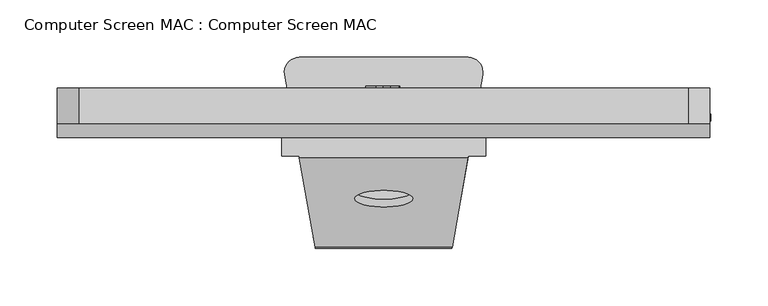
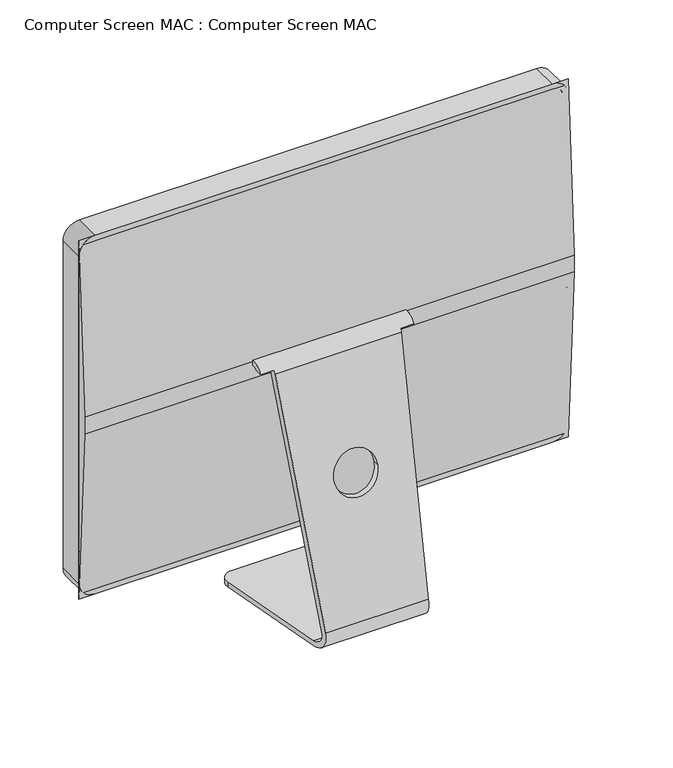
"""IFC4 building model written with IfcOpenShell, lengths in millimetres: proxy geometry, Computer Screen MAC : Computer Screen MAC."""

import ifcopenshell
import ifcopenshell.guid

model = None  # the IFC model being written
_history = None  # IfcOwnerHistory: only IFC2X3 demands one
_inside = {}  # id of a spatial element -> (the spatial element, [elements in it])
_under = {}  # id of a project, library or spatial element -> (it, [spatial elements below it])
_declared = {}  # id of a project -> (the project, [libraries it declares])
_typed = {}  # id of a type object -> (the type object, [elements of that type])
_made_of = {}  # id of a material, layer set ... -> (it, [elements and type objects made of it])


def new_model(schema):
    """Start an empty IFC model of exactly this schema.

    Asked for "IFC4X3", IfcOpenShell would pick the latest addendum, in which some entities
    have other attributes; the version numbers below select the first issue.
    IFC2X3 requires an IfcOwnerHistory on every rooted entity: one is made here for all.
    """
    global model, _history
    if schema == "IFC4X3":
        model = ifcopenshell.file(schema_version=(4, 3, 0, 0))
    else:
        model = ifcopenshell.file(schema=schema)
    _inside.clear()
    _under.clear()
    _declared.clear()
    _typed.clear()
    _made_of.clear()
    _history = None
    if model.schema == "IFC2X3":
        org = make("IfcOrganization", Name="unknown")
        user = make(
            "IfcPersonAndOrganization",
            ThePerson=make("IfcPerson", FamilyName="unknown"),
            TheOrganization=org,
        )
        app = make(
            "IfcApplication",
            ApplicationDeveloper=org,
            Version="unknown",
            ApplicationFullName="unknown",
            ApplicationIdentifier="unknown",
        )
        _history = make(
            "IfcOwnerHistory",
            OwningUser=user,
            OwningApplication=app,
            ChangeAction="ADDED",
            CreationDate=0,
        )
    return model


def make(cls, **values):
    """One entity of the class cls with the attributes given. An attribute that is None is left unset."""
    return model.create_entity(
        cls, **{name: value for name, value in values.items() if value is not None}
    )


def rooted(cls, **values):
    """An entity with a GlobalId (a new one), such as an element, a storey or a relation."""
    return make(cls, GlobalId=ifcopenshell.guid.new(), OwnerHistory=_history, **values)


def si_unit(unit_type, name, prefix=None):
    """IfcSIUnit, for example si_unit("LENGTHUNIT", "METRE", prefix="MILLI")."""
    return make("IfcSIUnit", UnitType=unit_type, Prefix=prefix, Name=name)


def assignment(units):
    """IfcUnitAssignment: the units of a project."""
    return None if units is None else make("IfcUnitAssignment", Units=units)


def point(xyz):
    """IfcCartesianPoint."""
    return None if xyz is None else make("IfcCartesianPoint", Coordinates=xyz)


def direction(xyz):
    """IfcDirection."""
    return None if xyz is None else make("IfcDirection", DirectionRatios=xyz)


def frame(location, z_axis=None, x_axis=None):
    """IfcAxis2Placement3D, a coordinate frame: its origin and axes. An axis left out is left unset."""
    return make(
        "IfcAxis2Placement3D",
        Location=point(location),
        Axis=direction(z_axis),
        RefDirection=direction(x_axis),
    )


def frame_2d(location, x_axis=None):
    """IfcAxis2Placement2D, a coordinate frame in the plane: its origin and x axis."""
    return make(
        "IfcAxis2Placement2D", Location=point(location), RefDirection=direction(x_axis)
    )


def origin():
    """The frame at (0, 0, 0) with its axes left unset."""
    return frame((0.0, 0.0, 0.0))


def place(relative_to, where):
    """IfcLocalPlacement: puts the frame where relative to a parent placement (None: the world)."""
    return make(
        "IfcLocalPlacement", PlacementRelTo=relative_to, RelativePlacement=where
    )


def context(
    kind, dimensions, precision=None, world=None, true_north=None, identifier=None
):
    """IfcGeometricRepresentationContext, for example the 3D "Model" context."""
    return make(
        "IfcGeometricRepresentationContext",
        ContextIdentifier=identifier,
        ContextType=kind,
        CoordinateSpaceDimension=dimensions,
        Precision=precision,
        WorldCoordinateSystem=world,
        TrueNorth=true_north,
    )


def project(units=None, contexts=None):
    """IfcProject with its units and contexts."""
    return rooted(
        "IfcProject",
        Name="project",
        RepresentationContexts=contexts,
        UnitsInContext=assignment(units),
    )


def spatial(cls, under=None, at=None, **own):
    """A site, building, storey or space (cls), placed at a placement, below another one or the project."""
    s = rooted(cls, ObjectPlacement=at, **own)
    if under is not None:
        _under.setdefault(under.id(), (under, []))[1].append(s)
    return s


def polyline(points):
    """IfcPolyline through the points."""
    return make("IfcPolyline", Points=[point(p) for p in points])


def circle_curve(where, radius):
    """IfcCircle in the frame where."""
    return make("IfcCircle", Position=where, Radius=radius)


def ellipse_curve(where, semi_axis1, semi_axis2):
    """IfcEllipse in the frame where."""
    return make(
        "IfcEllipse", Position=where, SemiAxis1=semi_axis1, SemiAxis2=semi_axis2
    )


def trimmed(basis, trim1, trim2, sense, master):
    """IfcTrimmedCurve: the piece of a basis curve between two trims."""
    return make(
        "IfcTrimmedCurve",
        BasisCurve=basis,
        Trim1=trim1,
        Trim2=trim2,
        SenseAgreement=sense,
        MasterRepresentation=master,
    )


def segment(curve, same_sense, transition):
    """IfcCompositeCurveSegment."""
    return make(
        "IfcCompositeCurveSegment",
        Transition=transition,
        SameSense=same_sense,
        ParentCurve=curve,
    )


def composite_curve(segments, self_intersect=None):
    """IfcCompositeCurve: segments joined end to end."""
    return make("IfcCompositeCurve", Segments=segments, SelfIntersect=self_intersect)


def outline(outer, holes=None, kind="AREA"):
    """IfcArbitraryClosedProfileDef: a profile drawn as a closed curve; with holes, ...WithVoids."""
    if holes is None:
        return make("IfcArbitraryClosedProfileDef", ProfileType=kind, OuterCurve=outer)
    return make(
        "IfcArbitraryProfileDefWithVoids",
        ProfileType=kind,
        OuterCurve=outer,
        InnerCurves=holes,
    )


def extrude(swept, where, along, depth):
    """IfcExtrudedAreaSolid: the profile swept, set in the frame where, extruded along a direction by depth."""
    return make(
        "IfcExtrudedAreaSolid",
        SweptArea=swept,
        Position=where,
        ExtrudedDirection=direction(along),
        Depth=depth,
    )


def shape(context_of_items, identifier, shape_type, items):
    """IfcShapeRepresentation: the items that make up one representation, for example the "Body"."""
    return make(
        "IfcShapeRepresentation",
        ContextOfItems=context_of_items,
        RepresentationIdentifier=identifier,
        RepresentationType=shape_type,
        Items=items,
    )


def source(mapping_origin, context_of_items, identifier, shape_type, items):
    """IfcRepresentationMap: a shape defined once, which mapped items show again and again."""
    return make(
        "IfcRepresentationMap",
        MappingOrigin=mapping_origin,
        MappedRepresentation=shape(context_of_items, identifier, shape_type, items),
    )


def transform(
    local_origin,
    x_axis=None,
    y_axis=None,
    z_axis=None,
    scale=None,
    scale2=None,
    scale3=None,
    uniform=True,
):
    """IfcCartesianTransformationOperator3D, or its non-uniform kind. x_axis, y_axis, z_axis: its Axis1, 2, 3."""
    if uniform:
        return make(
            "IfcCartesianTransformationOperator3D",
            Axis1=direction(x_axis),
            Axis2=direction(y_axis),
            LocalOrigin=point(local_origin),
            Scale=scale,
            Axis3=direction(z_axis),
        )
    return make(
        "IfcCartesianTransformationOperator3DnonUniform",
        Axis1=direction(x_axis),
        Axis2=direction(y_axis),
        LocalOrigin=point(local_origin),
        Scale=scale,
        Axis3=direction(z_axis),
        Scale2=scale2,
        Scale3=scale3,
    )


def mapped(mapping_source, mapping_target):
    """IfcMappedItem: shows the shape of a source again, moved by a transform."""
    return make(
        "IfcMappedItem", MappingSource=mapping_source, MappingTarget=mapping_target
    )


def made_of(thing, what):
    """Note that an element or type object is made of a material, layer set ...; save() writes the relation."""
    if what is not None:
        _made_of.setdefault(what.id(), (what, []))[1].append(thing)
    return thing


def element(
    cls,
    number,
    at=None,
    inside=None,
    cuts=None,
    type_object=None,
    material=None,
    context=None,
    identifier="Body",
    shape_type=None,
    held_by="IfcProductDefinitionShape",
    body=None,
    shapes=None,
    **own,
):
    """One element of the class cls, such as IfcWall. Its Tag is "e" and its number.

    at: its placement. inside: the storey or other place that contains it. cuts: it is an
    opening in that element (IfcRelVoidsElement). A single representation is given by context,
    identifier, shape_type and body (its items); several are given by shapes. held_by: the class
    of the entity that holds the representations. save() writes the other relations.
    """
    e = rooted(cls, Tag="e%d" % number, ObjectPlacement=at, **own)
    if body is not None:
        shapes = [shape(context, identifier, shape_type, body)]
    if shapes is not None:
        e.Representation = make(held_by, Representations=shapes)
    if inside is not None:
        _inside.setdefault(inside.id(), (inside, []))[1].append(e)
    if cuts is not None:
        rooted(
            "IfcRelVoidsElement", RelatingBuildingElement=cuts, RelatedOpeningElement=e
        )
    if type_object is not None:
        _typed.setdefault(type_object.id(), (type_object, []))[1].append(e)
    return made_of(e, material)


def aggregate(whole, parts):
    """IfcRelAggregates: a whole, such as a stair, and the parts it consists of."""
    return rooted("IfcRelAggregates", RelatingObject=whole, RelatedObjects=parts)


def save(model, path):
    """Write the relations noted so far, then the file.

    IfcRelAggregates (storeys below a building ...), IfcRelContainedInSpatialStructure (elements
    in a storey), IfcRelDefinesByType, IfcRelAssociatesMaterial and IfcRelDeclares: one each for
    every whole, place, type object, material and project.
    """
    for whole, parts in _under.values():
        aggregate(whole, parts)
    for where, things in _inside.values():
        rooted(
            "IfcRelContainedInSpatialStructure",
            RelatedElements=things,
            RelatingStructure=where,
        )
    for kind, things in _typed.values():
        rooted("IfcRelDefinesByType", RelatedObjects=things, RelatingType=kind)
    for what, things in _made_of.values():
        rooted("IfcRelAssociatesMaterial", RelatedObjects=things, RelatingMaterial=what)
    for by, libraries in _declared.values():
        rooted("IfcRelDeclares", RelatingContext=by, RelatedDefinitions=libraries)
    model.write(path)


def plane_surface(at):
    """IfcPlane: the flat surface through the origin of the frame at, square to its z axis."""
    return make("IfcPlane", Position=at)


def cylinder_surface(at, radius):
    """IfcCylindricalSurface: all points at the distance radius from the z axis of the frame at."""
    return make("IfcCylindricalSurface", Position=at, Radius=radius)


def revolved_surface(curve, axis_point, axis_direction):
    """IfcSurfaceOfRevolution: the curve turned about the line through axis_point along axis_direction."""
    return make(
        "IfcSurfaceOfRevolution",
        SweptCurve=make("IfcArbitraryOpenProfileDef", ProfileType="CURVE", Curve=curve),
        AxisPosition=make("IfcAxis1Placement", Location=point(axis_point), Axis=direction(axis_direction)),
    )


def advanced_brep(points, edges, surfaces, faces):
    """IfcAdvancedBrep: a solid bounded by faces that lie on surfaces and meet in shared edges.

    An edge is (start, end): straight between two places in points (the first is 0);
    or (start, end, curve); or (start, end, curve, False) where it runs against its curve.
    A face is (place in surfaces, loops), or (place, loops, False) where it looks against
    its surface's normal. A loop lists edges by number (the first is 1), with a minus sign
    where the edge is run from its end to its start. The first loop is the outer one.
    """
    corners = [point(p) for p in points]
    vertices = [make("IfcVertexPoint", VertexGeometry=c) for c in corners]
    made = []
    for start, end, *more in edges:
        made.append(
            make(
                "IfcEdgeCurve",
                EdgeStart=vertices[start],
                EdgeEnd=vertices[end],
                EdgeGeometry=more[0] if more else make("IfcPolyline", Points=[corners[start], corners[end]]),
                SameSense=more[1] if len(more) > 1 else True,
            )
        )
    hull = []
    for where, loops, *sense in faces:
        bounds = []
        for j, loop in enumerate(loops):
            ring = [make("IfcOrientedEdge", EdgeElement=made[abs(k) - 1], Orientation=k > 0) for k in loop]
            bounds.append(
                make(
                    "IfcFaceOuterBound" if j == 0 else "IfcFaceBound",
                    Bound=make("IfcEdgeLoop", EdgeList=ring),
                    Orientation=True,
                )
            )
        hull.append(make("IfcAdvancedFace", Bounds=bounds, FaceSurface=surfaces[where], SameSense=sense[0] if sense else True))
    return make("IfcAdvancedBrep", Outer=make("IfcClosedShell", CfsFaces=hull))


def computer_screen_mac_computer_screen_mac_c772f8f1(model_context):
    return source(origin(), model_context, "Body", "SolidModel", [
        extrude(outline(composite_curve([segment(trimmed(circle_curve(frame_2d((120.52706, 0.0)), 15.644498), [point((134.5632962, -6.9090079))], [point((106.7843162, -7.4757816))], False, "CARTESIAN"), True, "CONTINUOUS"), segment(trimmed(circle_curve(frame_2d((96.5739719, 0.0)), 12.6545818), [point((106.7843162, -7.4757816))], [point((106.7843162, 7.4757816))], True, "CARTESIAN"), True, "CONTINUOUS"), segment(trimmed(circle_curve(frame_2d((124.483969, -7.3413015)), 23.0829734), [point((106.7843162, 7.4757816))], [point((115.7043026, 14.0067925))], False, "CARTESIAN"), True, "CONTINUOUS"), segment(trimmed(circle_curve(frame_2d((123.8232336, 19.4018481)), 9.7480082), [point((115.7043026, 14.0067925))], [point((131.3337514, 13.1876878))], True, "CARTESIAN"), True, "CONTINUOUS"), segment(trimmed(circle_curve(frame_2d((128.4564261, 7.0151038)), 6.8102712), [point((131.3337514, 13.1876878))], [point((132.7415657, 1.7219598))], False, "CARTESIAN"), True, "CONTINUOUS"), segment(trimmed(circle_curve(frame_2d((142.1808748, -0.7934332)), 9.7687132), [point((132.7415657, 1.7219598))], [point((134.5632962, -6.9090079))], True, "CARTESIAN"), True, "CONTINUOUS")], self_intersect=False)), frame((0.0, 110.56, 0.0), z_axis=(0.0, 1.0, 0.0), x_axis=(0.0, 0.0, 1.0)), (0.0, 0.0, 1.0), 1.9886934),
        extrude(outline(composite_curve([segment(trimmed(circle_curve(frame_2d((136.4441402, 6.4175218)), 6.9390859), [point((143.3664679, 5.9355541))], [point((135.4763429, -0.4537431))], False, "CARTESIAN"), True, "CONTINUOUS"), segment(trimmed(circle_curve(frame_2d((143.2650054, -2.0055453)), 7.9417475), [point((135.4763429, -0.4537431))], [point((143.3664679, 5.9355541))], False, "CARTESIAN"), True, "CONTINUOUS")], self_intersect=False)), frame((0.0, 110.56, 0.0), z_axis=(0.0, 1.0, 0.0), x_axis=(0.0, 0.0, 1.0)), (0.0, 0.0, 1.0), 1.9886934),
        extrude(outline(polyline([(259.0601563, 110.56), (259.0601563, 104.21), (-259.0601562, 104.21), (-259.0601562, 110.56), (259.0601563, 110.56)])), frame((0.0, 0.0, 190.5435211), z_axis=(0.0, 0.0, 1.0), x_axis=(1.0, 0.0, 0.0)), (0.0, 0.0, 1.0), 304.7564789),
        extrude(outline(composite_curve([segment(polyline([(520.7, 265.4101563), (520.7, -265.4101562)]), True, "CONTINUOUS"), segment(trimmed(circle_curve(frame_2d((501.65, -265.4101562)), 19.05), [point((520.7, -265.4101562))], [point((501.65, -284.4601562))], False, "CARTESIAN"), True, "CONTINUOUS"), segment(polyline([(501.65, -284.4601562), (99.801911, -284.4601562)]), True, "CONTINUOUS"), segment(trimmed(circle_curve(frame_2d((99.801911, -265.4101562)), 19.05), [point((99.801911, -284.4601562))], [point((80.751911, -265.4101562))], False, "CARTESIAN"), True, "CONTINUOUS"), segment(polyline([(80.751911, -265.4101562), (80.751911, 265.4101563)]), True, "CONTINUOUS"), segment(trimmed(circle_curve(frame_2d((99.801911, 265.4101563)), 19.05), [point((80.751911, 265.4101563))], [point((99.801911, 284.4601563))], False, "CARTESIAN"), True, "CONTINUOUS"), segment(polyline([(99.801911, 284.4601563), (501.65, 284.4601563)]), True, "CONTINUOUS"), segment(trimmed(circle_curve(frame_2d((501.65, 265.4101563)), 19.05), [point((501.65, 284.4601563))], [point((520.7, 265.4101563))], False, "CARTESIAN"), True, "CONTINUOUS")], self_intersect=False), holes=[composite_curve([segment(polyline([(184.1935211, -278.1101562), (501.65, -278.1101562)]), True, "CONTINUOUS"), segment(trimmed(circle_curve(frame_2d((501.65, -265.4101562)), 12.7), [point((501.65, -278.1101562))], [point((514.35, -265.4101562))], True, "CARTESIAN"), True, "CONTINUOUS"), segment(polyline([(514.35, -265.4101562), (514.35, 265.4101563)]), True, "CONTINUOUS"), segment(trimmed(circle_curve(frame_2d((501.65, 265.4101563)), 12.7), [point((514.35, 265.4101563))], [point((501.65, 278.1101563))], True, "CARTESIAN"), True, "CONTINUOUS"), segment(polyline([(501.65, 278.1101563), (184.1935211, 278.1101563)]), True, "CONTINUOUS"), segment(trimmed(circle_curve(frame_2d((184.1935211, 265.4101563)), 12.7), [point((184.1935211, 278.1101563))], [point((171.4935211, 265.4101563))], True, "CARTESIAN"), True, "CONTINUOUS"), segment(polyline([(171.4935211, 265.4101563), (171.4935211, -265.4101562)]), True, "CONTINUOUS"), segment(trimmed(circle_curve(frame_2d((184.1935211, -265.4101562)), 12.7), [point((171.4935211, -265.4101562))], [point((184.1935211, -278.1101562))], True, "CARTESIAN"), True, "CONTINUOUS")], self_intersect=False)]), frame((0.0, 79.064, 0.0), z_axis=(0.0, 1.0, 0.0), x_axis=(0.0, 0.0, 1.0)), (0.0, 0.0, 1.0), 31.496),
        advanced_brep(
        [(88.9, 67.38, 312.7737605), (88.9, 51.3257743, 304.8), (88.9, 60.1083271, 304.8), (88.9, 67.38, 306.3892791), (-88.9, 67.38, 306.3892791), (-88.9, 60.1083271, 304.8), (-88.9, 51.3257743, 304.8), (-88.9, 67.38, 312.7737605), (62.8223757, -10.3185406, 0.0), (59.4633467, -29.3685406, 19.05), (59.6277493, -28.4361672, 24.9367737), (-59.6277493, -28.4361672, 24.9367737), (-59.4633467, -29.3685406, 19.05), (-62.8223757, -10.3185406, 0.0), (73.3647812, 49.4704123, 300.8605195), (-73.3647812, 49.4704123, 300.8605195), (-25.4, 14.2168059, 176.001911), (25.4, 14.2168059, 176.001911), (-73.6919316, 51.3257743, 304.8), (73.6919316, 51.3257743, 304.8), (75.2405326, 60.1083271, 304.8), (74.4296567, 55.5096211, 298.8982615), (-74.4296567, 55.5096211, 298.8982615), (-75.2405326, 60.1083271, 304.8), (60.6926248, -22.3969584, 22.9745158), (-60.6926248, -22.3969584, 22.9745158), (25.4, 20.8100549, 176.001911), (-25.4, 20.8100549, 176.001911), (62.8223757, -10.3185406, 6.35), (-62.8223757, -10.3185406, 6.35), (86.2717878, 122.6696842, 6.35), (73.7647294, 137.575016, 6.35), (-73.7647294, 137.575016, 6.35), (-86.2717878, 122.6696842, 6.35), (73.7647294, 137.575016, 0.0), (-73.7647294, 137.575016, 0.0), (-86.2717878, 122.6696842, 0.0), (86.2717878, 122.6696842, 0.0)],
        [
            (0, 1, circle_curve(frame((88.9, 65.9490495, 295.5062856), z_axis=(1.0, 0.0, 0.0), x_axis=(0.0, -1.0, 0.0)), 17.3266646)),
            (1, 2),
            (2, 3, circle_curve(frame((88.9, 65.9490495, 295.5062856), z_axis=(-1.0, 0.0, 0.0), x_axis=(0.0, -1.0, 0.0)), 10.9766646)),
            (3, 0),
            (4, 5, circle_curve(frame((-88.9, 65.9490495, 295.5062856), z_axis=(1.0, 0.0, 0.0), x_axis=(0.0, -1.0, 0.0)), 10.9766646)),
            (5, 6),
            (6, 7, circle_curve(frame((-88.9, 65.9490495, 295.5062856), z_axis=(-1.0, 0.0, 0.0), x_axis=(0.0, -1.0, 0.0)), 17.3266646)),
            (7, 4),
            (8, 9, ellipse_curve(frame((62.8223757, -10.3185406, 19.05), z_axis=(-0.9848077530122079, 0.1736481776669312, 0.0), x_axis=(0.17364817766693147, 0.9848077530122078, 0.0)), 19.343877, 19.05)),
            (9, 10, ellipse_curve(frame((62.8223757, -10.3185406, 19.05), z_axis=(-0.9848077530122079, 0.1736481776669312, 0.0), x_axis=(0.17364817766693147, 0.9848077530122078, 0.0)), 19.343877, 19.05)),
            (10, 11),
            (11, 12, ellipse_curve(frame((-62.8223757, -10.3185406, 19.05), z_axis=(0.9848077530122079, 0.17364817766693164, 0.0), x_axis=(0.1736481776669307, -0.9848077530122079, 0.0)), 19.343877, 19.05)),
            (12, 13, ellipse_curve(frame((-62.8223757, -10.3185406, 19.05), z_axis=(0.9848077530122079, 0.17364817766693164, 0.0), x_axis=(0.1736481776669307, -0.9848077530122079, 0.0)), 19.343877, 19.05)),
            (13, 8),
            (10, 14),
            (14, 15),
            (15, 11),
            (16, 17, ellipse_curve(frame((0.0, 14.2168059, 176.001911), z_axis=(0.0, 0.9623749775729732, -0.2717248655191856), x_axis=(0.0, -0.27172486551918523, -0.9623749775729733)), 26.3930387, 25.4)),
            (17, 16, ellipse_curve(frame((0.0, 14.2168059, 176.001911), z_axis=(0.0, 0.9623749775729732, -0.2717248655191856), x_axis=(0.0, -0.27172486551918523, -0.9623749775729733)), 26.3930387, 25.4)),
            (6, 18),
            (18, 15, ellipse_curve(frame((-76.2704096, 65.9490495, 295.5062856), z_axis=(0.9848077530122079, 0.17364817766693164, 0.0), x_axis=(0.1736481776669307, -0.9848077530122079, 0.0)), 17.5939563, 17.3266646)),
            (14, 19, ellipse_curve(frame((76.2704096, 65.9490495, 295.5062856), z_axis=(-0.9848077530122079, 0.1736481776669312, 0.0), x_axis=(0.17364817766693147, 0.9848077530122078, 0.0)), 17.5939563, 17.3266646)),
            (19, 1),
            (0, 7),
            (3, 4),
            (2, 20),
            (20, 21, ellipse_curve(frame((76.2704096, 65.9490495, 295.5062856), z_axis=(0.9848077530122079, -0.1736481776669312, 0.0), x_axis=(-0.17364817766693147, -0.9848077530122078, 0.0)), 11.1459973, 10.9766646)),
            (21, 22),
            (22, 23, ellipse_curve(frame((-76.2704096, 65.9490495, 295.5062856), z_axis=(-0.9848077530122079, -0.17364817766693164, 0.0), x_axis=(-0.1736481776669307, 0.9848077530122079, 0.0)), 11.1459973, 10.9766646)),
            (23, 5),
            (21, 24),
            (24, 25),
            (25, 22),
            (26, 27, ellipse_curve(frame((0.0, 20.8100549, 176.001911), z_axis=(0.0, -0.9623749775729731, 0.27172486551918607), x_axis=(0.0, -0.27172486551918557, -0.962374977572973)), 26.3930387, 25.4)),
            (27, 26, ellipse_curve(frame((0.0, 20.8100549, 176.001911), z_axis=(0.0, -0.9623749775729731, 0.27172486551918607), x_axis=(0.0, -0.27172486551918557, -0.962374977572973)), 26.3930387, 25.4)),
            (24, 28, ellipse_curve(frame((62.8223757, -10.3185406, 19.05), z_axis=(0.9848077530122079, -0.1736481776669312, 0.0), x_axis=(-0.17364817766693147, -0.9848077530122078, 0.0)), 12.895918, 12.7)),
            (28, 29),
            (29, 25, ellipse_curve(frame((-62.8223757, -10.3185406, 19.05), z_axis=(-0.9848077530122079, -0.17364817766693164, 0.0), x_axis=(-0.1736481776669307, 0.9848077530122079, 0.0)), 12.895918, 12.7)),
            (28, 30),
            (30, 31, circle_curve(frame((73.7647294, 124.875016, 6.35), z_axis=(0.0, 0.0, 1.0), x_axis=(1.0, 0.0, 0.0)), 12.7)),
            (31, 32),
            (32, 33, circle_curve(frame((-73.7647294, 124.875016, 6.35), z_axis=(0.0, 0.0, 1.0), x_axis=(1.0, 0.0, 0.0)), 12.7)),
            (33, 29),
            (31, 34),
            (34, 35),
            (35, 32),
            (13, 36),
            (36, 35, circle_curve(frame((-73.7647294, 124.875016, 0.0), z_axis=(0.0, 0.0, -1.0), x_axis=(1.0, 0.0, 0.0)), 12.7)),
            (34, 37, circle_curve(frame((73.7647294, 124.875016, 0.0), z_axis=(0.0, 0.0, -1.0), x_axis=(1.0, 0.0, 0.0)), 12.7)),
            (37, 8),
            (23, 18),
            (19, 20),
            (36, 33),
            (37, 30),
            (27, 16),
            (17, 26),
        ],
        [
            plane_surface(frame((88.9, -29.3685406, 19.05), z_axis=(1.0, 0.0, 0.0), x_axis=(0.0, 0.0, 1.0))),
            plane_surface(frame((-88.9, -29.3685406, 19.05), z_axis=(-1.0, 0.0, 0.0), x_axis=(0.0, 0.0, -1.0))),
            cylinder_surface(frame((-88.9, -10.3185406, 19.05), z_axis=(1.0, 0.0, 0.0), x_axis=(0.0, -1.0, 0.0)), 19.05),
            plane_surface(frame((88.9, -28.4361672, 24.9367737), z_axis=(0.0, -0.9623749775729732, 0.2717248655191856), x_axis=(-1.0, 0.0, 0.0))),
            cylinder_surface(frame((-88.9, 65.9490495, 295.5062856), z_axis=(1.0, 0.0, 0.0), x_axis=(0.0, -1.0, 0.0)), 17.3266646),
            plane_surface(frame((88.9, 67.38, 312.7737605), z_axis=(0.0, 1.0, 0.0), x_axis=(-1.0, 0.0, 0.0))),
            revolved_surface(polyline([(-88.9, 54.9723849, 295.5062856), (88.9, 54.9723849, 295.5062856)]), (-88.9, 65.9490495, 295.5062856), (-1.0, 0.0, 0.0)),
            plane_surface(frame((88.9, 55.5096211, 298.8982615), z_axis=(0.0, 0.9623749775729731, -0.27172486551918607), x_axis=(-1.0, 0.0, 0.0))),
            revolved_surface(polyline([(-65.06172836004217, -23.0185406, 19.05), (65.0617283600422, -23.0185406, 19.05)]), (-88.9, -10.3185406, 19.05), (-1.0, 0.0, 0.0)),
            plane_surface(frame((88.9, -10.3185406, 6.35), z_axis=(0.0, 0.0, 1.0), x_axis=(-1.0, 0.0, 0.0))),
            plane_surface(frame((88.9, 137.575016, 6.35), z_axis=(0.0, 1.0, 0.0), x_axis=(-1.0, 0.0, 0.0))),
            plane_surface(frame((88.9, 137.575016, 0.0), z_axis=(0.0, 0.0, -1.0), x_axis=(-1.0, 0.0, 0.0))),
            plane_surface(frame((-88.9, -29.3685406, 304.8), z_axis=(0.0, 0.0, -1.0), x_axis=(-1.0, 0.0, 0.0))),
            cylinder_surface(frame((-73.7647294, 124.875016, 0.0), z_axis=(0.0, 0.0, -1.0), x_axis=(1.0, 0.0, 0.0)), 12.7),
            plane_surface(frame((-86.2717878, 122.6696842, 304.8), z_axis=(-0.9848077530122079, -0.17364817766693164, 0.0), x_axis=(0.0, 0.0, -1.0))),
            plane_surface(frame((59.4633467, -29.3685406, 304.8), z_axis=(0.9848077530122079, -0.1736481776669312, 0.0), x_axis=(0.0, 0.0, -1.0))),
            cylinder_surface(frame((73.7647294, 124.875016, 0.0), z_axis=(0.0, 0.0, -1.0), x_axis=(1.0, 0.0, 0.0)), 12.7),
            revolved_surface(polyline([(-25.4, 7.045161008599855, 176.001911), (-25.4, 27.98169979140016, 176.001911)]), (0.0, 46.9112931, 176.001911), (0.0, -1.0, 0.0)),
        ],
        [
            (0, [[1, 2, 3, 4]]),
            (1, [[5, 6, 7, 8]]),
            (2, [[9, 10, 11, 12, 13, 14]]),
            (3, [[15, 16, 17, -11], [18, 19]]),
            (4, [[-7, 20, 21, -16, 22, 23, -1, 24]]),
            (5, [[25, -8, -24, -4]]),
            (6, [[-3, 26, 27, 28, 29, 30, -5, -25]]),
            (7, [[31, 32, 33, -28], [34, 35]]),
            (8, [[36, 37, 38, -32]]),
            (9, [[39, 40, 41, 42, 43, -37]]),
            (10, [[44, 45, 46, -41]]),
            (11, [[47, 48, -45, 49, 50, -14]]),
            (12, [[-20, -6, -30, 51]]),
            (12, [[-26, -2, -23, 52]]),
            (13, [[-42, -46, -48, 53]]),
            (14, [[-29, -33, -38, -43, -53, -47, -13, -12, -17, -21, -51]]),
            (15, [[-22, -15, -10, -9, -50, 54, -39, -36, -31, -27, -52]]),
            (16, [[-49, -44, -40, -54]]),
            (17, [[-35, 55, -19, 56]]),
            (17, [[-18, -55, -34, -56]]),
        ],
    ),
        extrude(outline(composite_curve([segment(polyline([(171.4935211, -265.4101562), (171.4935211, 265.4101562)]), True, "CONTINUOUS"), segment(trimmed(circle_curve(frame_2d((184.1935211, 265.4101562)), 12.7), [point((171.4935211, 265.4101562))], [point((184.1935211, 278.1101562))], False, "CARTESIAN"), True, "CONTINUOUS"), segment(polyline([(184.1935211, 278.1101562), (501.65, 278.1101562)]), True, "CONTINUOUS"), segment(trimmed(circle_curve(frame_2d((501.65, 265.4101562)), 12.7), [point((501.65, 278.1101562))], [point((514.35, 265.4101562))], False, "CARTESIAN"), True, "CONTINUOUS"), segment(polyline([(514.35, 265.4101562), (514.35, -265.4101562)]), True, "CONTINUOUS"), segment(trimmed(circle_curve(frame_2d((501.65, -265.4101562)), 12.7), [point((514.35, -265.4101562))], [point((501.65, -278.1101562))], False, "CARTESIAN"), True, "CONTINUOUS"), segment(polyline([(501.65, -278.1101562), (184.1935211, -278.1101562)]), True, "CONTINUOUS"), segment(trimmed(circle_curve(frame_2d((184.1935211, -265.4101562)), 12.7), [point((184.1935211, -278.1101562))], [point((171.4935211, -265.4101562))], False, "CARTESIAN"), True, "CONTINUOUS")], self_intersect=False), holes=[polyline([(495.3, -259.0601562), (495.3, 259.0601563), (190.5435211, 259.0601562), (190.5435211, -259.0601562), (495.3, -259.0601562)])]), frame((0.0, 104.21, 0.0), z_axis=(0.0, 1.0, 0.0), x_axis=(0.0, 0.0, 1.0)), (0.0, 0.0, 1.0), 6.35),
        extrude(outline(composite_curve([segment(polyline([(87.88975, 425.5146184), (87.88975, 264.1646184)]), True, "CONTINUOUS"), segment(trimmed(circle_curve(frame_2d((84.88975, 264.1646184)), 3.0), [point((87.88975, 264.1646184))], [point((84.88975, 261.1646184))], False, "CARTESIAN"), True, "CONTINUOUS"), segment(trimmed(circle_curve(frame_2d((84.88975, 264.1646184)), 3.0), [point((84.88975, 261.1646184))], [point((81.88975, 264.1646184))], False, "CARTESIAN"), True, "CONTINUOUS"), segment(polyline([(81.88975, 264.1646184), (81.88975, 425.5146184)]), True, "CONTINUOUS"), segment(trimmed(circle_curve(frame_2d((84.88975, 425.5146184)), 3.0), [point((81.88975, 425.5146184))], [point((84.88975, 428.5146184))], False, "CARTESIAN"), True, "CONTINUOUS"), segment(trimmed(circle_curve(frame_2d((84.88975, 425.5146184)), 3.0), [point((84.88975, 428.5146184))], [point((87.88975, 425.5146184))], False, "CARTESIAN"), True, "CONTINUOUS")], self_intersect=False)), frame((281.9121562, 0.0, 0.0), z_axis=(1.0, 0.0, 0.0), x_axis=(0.0, 1.0, 0.0)), (0.0, 0.0, 1.0), 3.1621285),
        extrude(outline(composite_curve([segment(polyline([(79.064, 520.7), (79.064, 80.751911)]), True, "CONTINUOUS"), segment(trimmed(circle_curve(frame_2d((2047.3299963, 295.6000267)), 1979.9572584), [point((79.064, 80.751911))], [point((67.3793732, 290.474098))], False, "CARTESIAN"), True, "CONTINUOUS"), segment(polyline([(67.3793732, 290.474098), (67.3793732, 310.977813)]), True, "CONTINUOUS"), segment(trimmed(circle_curve(frame_2d((2047.3299963, 305.8518843)), 1979.9572584), [point((67.3793732, 310.977813))], [point((79.064, 520.7))], False, "CARTESIAN"), True, "CONTINUOUS")], self_intersect=False)), frame((-284.4601562, 0.0, 0.0), z_axis=(1.0, 0.0, 0.0), x_axis=(0.0, 1.0, 0.0)), (0.0, 0.0, 1.0), 568.9203125),
    ])


if __name__ == "__main__":
    model = new_model("IFC4")
    model_context = context("Model", 3, world=origin())
    ifc_project = project(units=[si_unit("LENGTHUNIT", "METRE", prefix="MILLI")], contexts=[model_context])
    site = spatial("IfcSite", under=ifc_project)
    building = spatial("IfcBuilding", under=site)
    placement = place(None, origin())
    computer_screen_mac_computer_screen_mac_shape = computer_screen_mac_computer_screen_mac_c772f8f1(model_context)
    element("IfcBuildingElementProxy", 1, Name="Computer Screen MAC : Computer Screen MAC", ObjectType="Computer Screen MAC : Computer Screen MAC", at=placement, inside=building, context=model_context, shape_type="MappedRepresentation", body=[
        mapped(computer_screen_mac_computer_screen_mac_shape, transform((0.0, 0.0, 0.0), x_axis=(1.0, 0.0, 0.0), y_axis=(0.0, 1.0, 0.0), z_axis=(0.0, 0.0, 1.0))),
    ])
    save(model, "model.ifc")
